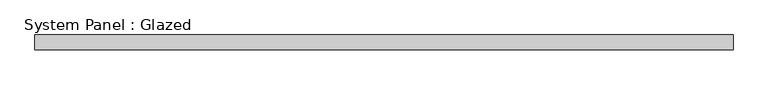
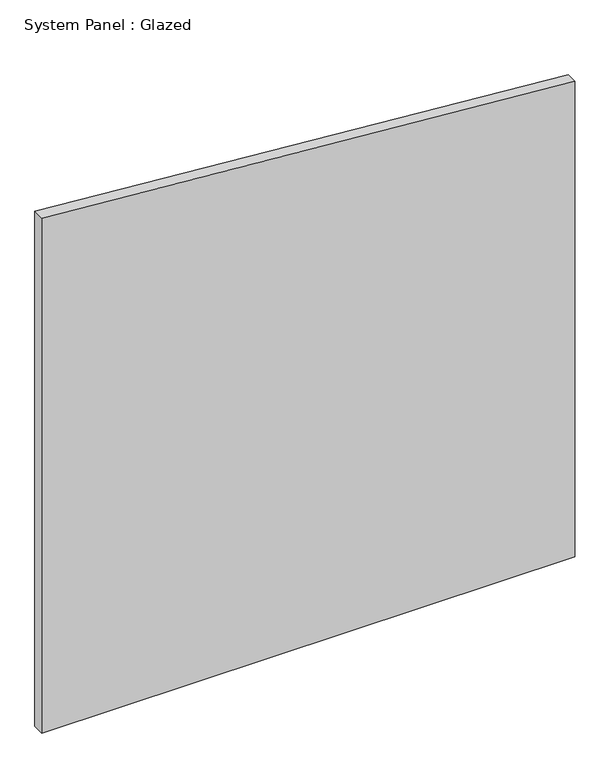
"""IFC4 building model written with IfcOpenShell, lengths in millimetres: plate geometry, System Panel : Glazed."""

from ifc_helpers import new_model, si_unit, frame, origin, place, context, project, spatial, polyline, outline, extrude, source, transform, mapped, element, save


def system_panel_glazed_1a936660(model_context):
    return source(origin(), model_context, "Body", "SweptSolid", [
        extrude(outline(polyline([(0.0, -589.1625), (0.0, 589.1625), (1110.1702723, 589.1625), (1203.2725956, -589.1625), (0.0, -589.1625)])), frame((0.0, 19.05, 0.0), z_axis=(0.0, 1.0, 0.0), x_axis=(0.0, 0.0, 1.0)), (0.0, 0.0, 1.0), 25.4),
    ])


if __name__ == "__main__":
    model = new_model("IFC4")
    model_context = context("Model", 3, world=origin())
    ifc_project = project(units=[si_unit("LENGTHUNIT", "METRE", prefix="MILLI")], contexts=[model_context])
    site = spatial("IfcSite", under=ifc_project)
    building = spatial("IfcBuilding", under=site)
    placement = place(None, origin())
    system_panel_glazed_shape = system_panel_glazed_1a936660(model_context)
    element("IfcPlate", 1, ObjectType="System Panel : Glazed", at=placement, inside=building, context=model_context, shape_type="MappedRepresentation", body=[
        mapped(system_panel_glazed_shape, transform((0.0, 0.0, 0.0), x_axis=(1.0, 0.0, 0.0), y_axis=(0.0, 1.0, 0.0), z_axis=(0.0, 0.0, 1.0))),
    ])
    save(model, "model.ifc")
